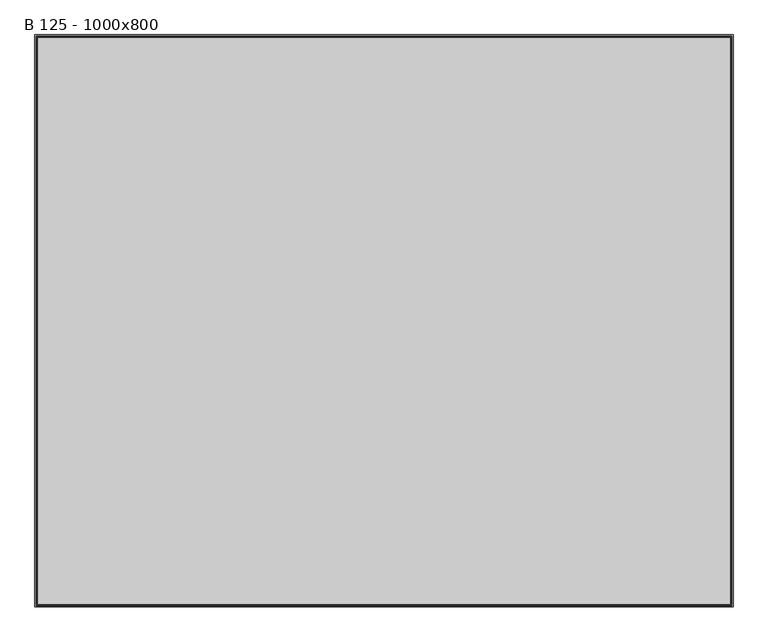
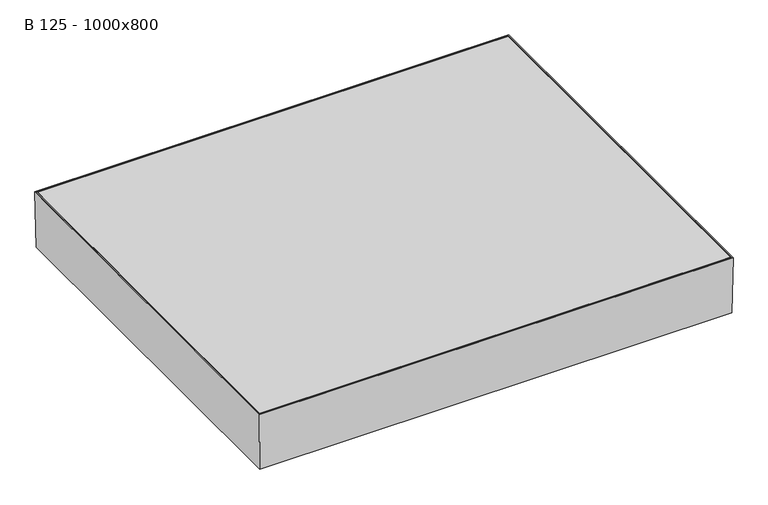
"""IFC4 building model written with IfcOpenShell, lengths in millimetres: proxy geometry, B 125 - 1000x800."""

from ifc_helpers import new_model, si_unit, frame, origin, place, context, project, spatial, polyline, outline, extrude, faceted_brep, source, transform, mapped, element, save


def b_125_1000x800_1b42dd6a(model_context):
    return source(origin(), model_context, "Body", "SolidModel", [
        extrude(outline(polyline([(551.0, 451.0), (551.0, -451.0), (-551.0, -451.0), (-551.0, 451.0), (551.0, 451.0)])), frame((0.0, 0.0, -5.0), z_axis=(0.0, 0.0, 1.0), x_axis=(1.0, 0.0, 0.0)), (0.0, 0.0, 1.0), 5.0),
        faceted_brep([(548.2666483, 448.2666483, -122.9987834), (-548.2666483, 448.2666483, -122.9987834), (-548.2666483, -448.2666483, -122.9987834), (548.2666483, -448.2666483, -122.9987834), (550.2226777, 450.2226777, -125.0), (550.2226777, -450.2226777, -125.0), (-550.2226777, -450.2226777, -125.0), (-550.2226777, 450.2226777, -125.0), (553.0, 453.0, 0.0), (553.0, -453.0, 0.0), (-553.0, -453.0, 0.0), (-553.0, 453.0, 0.0), (550.9995064, -450.9995064, 0.0), (550.9995064, 450.9995064, 0.0), (-550.9995064, -450.9995064, 0.0), (-550.9995064, 450.9995064, 0.0)], [[[0, 1, 2, 3]], [[4, 5, 6, 7]], [[4, 8, 9, 5]], [[5, 9, 10, 6]], [[6, 10, 11, 7]], [[8, 4, 7, 11]], [[0, 3, 12, 13]], [[3, 2, 14, 12]], [[2, 1, 15, 14]], [[1, 0, 13, 15]], [[9, 8, 11, 10], [13, 12, 14, 15]]]),
        faceted_brep([(552.9309621, 452.9309621, -137.0), (555.0, 455.0, 0.0), (555.0, -455.0, 0.0), (552.9309621, -452.9309621, -137.0), (-555.0, -455.0, 0.0), (-552.9309621, -452.9309621, -137.0), (-555.0, 455.0, 0.0), (-552.9309621, 452.9309621, -137.0), (500.0, 400.0, -137.0), (-500.0, 400.0, -137.0), (-500.0, -400.0, -137.0), (500.0, -400.0, -137.0), (550.960939, 450.960939, -135.0), (-550.960939, 450.960939, -135.0), (-550.960939, -450.960939, -135.0), (550.960939, -450.960939, -135.0), (502.0, -402.0, -135.0), (-502.0, -402.0, -135.0), (-502.0, 402.0, -135.0), (502.0, 402.0, -135.0), (552.9997719, -452.9997719, 0.0), (-552.9997719, -452.9997719, 0.0), (-552.9997719, 452.9997719, 0.0), (552.9997719, 452.9997719, 0.0), (500.0, 400.0, -125.0), (500.0, -400.0, -125.0), (502.0, 402.0, -125.0), (502.0, -402.0, -125.0), (-500.0, -400.0, -125.0), (-502.0, -402.0, -125.0), (-500.0, 400.0, -125.0), (-502.0, 402.0, -125.0)], [[[0, 1, 2, 3]], [[3, 2, 4, 5]], [[5, 4, 6, 7]], [[3, 5, 7, 0], [8, 9, 10, 11]], [[12, 13, 14, 15], [16, 17, 18, 19]], [[1, 6, 4, 2], [20, 21, 22, 23]], [[7, 6, 1, 0]], [[24, 8, 11, 25]], [[19, 26, 27, 16]], [[25, 11, 10, 28]], [[16, 27, 29, 17]], [[28, 10, 9, 30]], [[17, 29, 31, 18]], [[30, 9, 8, 24]], [[26, 31, 29, 27], [25, 28, 30, 24]], [[18, 31, 26, 19]], [[23, 12, 15, 20]], [[20, 15, 14, 21]], [[21, 14, 13, 22]], [[22, 13, 12, 23]]]),
    ])


if __name__ == "__main__":
    model = new_model("IFC4")
    model_context = context("Model", 3, world=origin())
    ifc_project = project(units=[si_unit("LENGTHUNIT", "METRE", prefix="MILLI")], contexts=[model_context])
    site = spatial("IfcSite", under=ifc_project)
    building = spatial("IfcBuilding", under=site)
    placement = place(None, origin())
    b_125_1000x800_shape = b_125_1000x800_1b42dd6a(model_context)
    element("IfcBuildingElementProxy", 1, Name="B 125 - 1000x800", ObjectType="B 125 - 1000x800", at=placement, inside=building, context=model_context, shape_type="MappedRepresentation", body=[
        mapped(b_125_1000x800_shape, transform((0.0, 0.0, 0.0), x_axis=(1.0, 0.0, 0.0), y_axis=(0.0, 1.0, 0.0), z_axis=(0.0, 0.0, 1.0))),
    ])
    save(model, "model.ifc")
